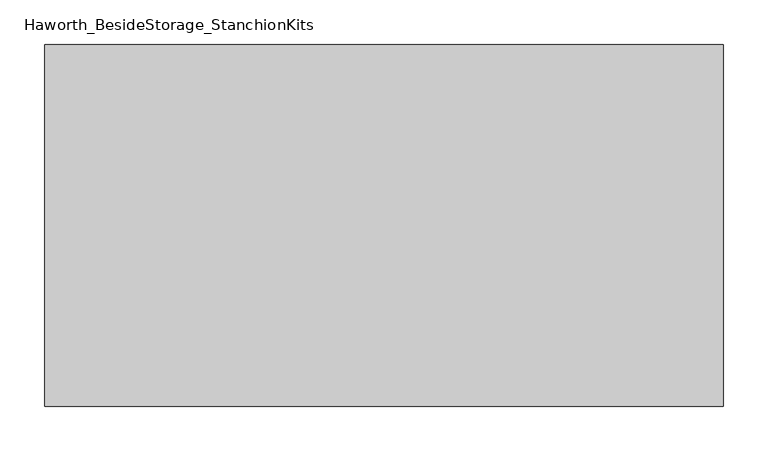
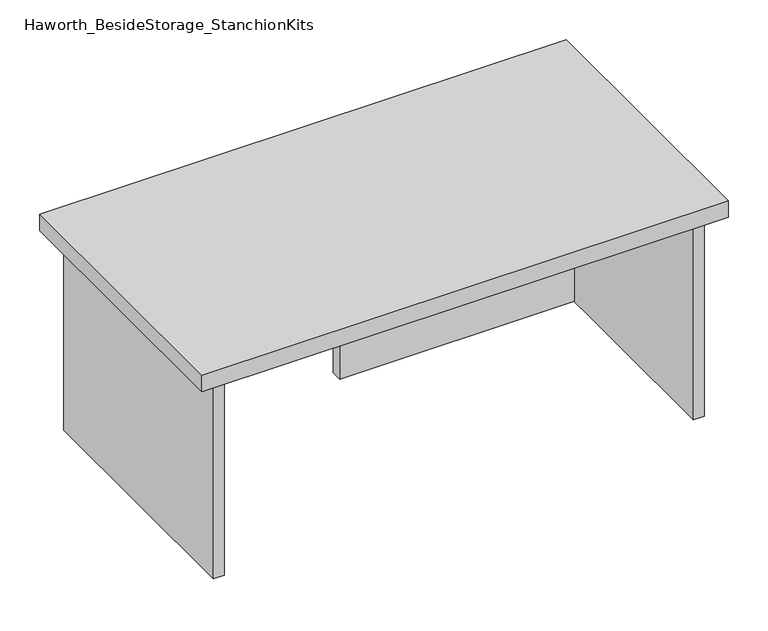
"""IFC4 building model written with IfcOpenShell, lengths in millimetres: furniture geometry, Haworth_BesideStorage_StanchionKits."""

import ifcopenshell
import ifcopenshell.guid

model = None  # the IFC model being written
_history = None  # IfcOwnerHistory: only IFC2X3 demands one
_inside = {}  # id of a spatial element -> (the spatial element, [elements in it])
_under = {}  # id of a project, library or spatial element -> (it, [spatial elements below it])
_declared = {}  # id of a project -> (the project, [libraries it declares])
_typed = {}  # id of a type object -> (the type object, [elements of that type])
_made_of = {}  # id of a material, layer set ... -> (it, [elements and type objects made of it])


def new_model(schema):
    """Start an empty IFC model of exactly this schema.

    Asked for "IFC4X3", IfcOpenShell would pick the latest addendum, in which some entities
    have other attributes; the version numbers below select the first issue.
    IFC2X3 requires an IfcOwnerHistory on every rooted entity: one is made here for all.
    """
    global model, _history
    if schema == "IFC4X3":
        model = ifcopenshell.file(schema_version=(4, 3, 0, 0))
    else:
        model = ifcopenshell.file(schema=schema)
    _inside.clear()
    _under.clear()
    _declared.clear()
    _typed.clear()
    _made_of.clear()
    _history = None
    if model.schema == "IFC2X3":
        org = make("IfcOrganization", Name="unknown")
        user = make(
            "IfcPersonAndOrganization",
            ThePerson=make("IfcPerson", FamilyName="unknown"),
            TheOrganization=org,
        )
        app = make(
            "IfcApplication",
            ApplicationDeveloper=org,
            Version="unknown",
            ApplicationFullName="unknown",
            ApplicationIdentifier="unknown",
        )
        _history = make(
            "IfcOwnerHistory",
            OwningUser=user,
            OwningApplication=app,
            ChangeAction="ADDED",
            CreationDate=0,
        )
    return model


def make(cls, **values):
    """One entity of the class cls with the attributes given. An attribute that is None is left unset."""
    return model.create_entity(
        cls, **{name: value for name, value in values.items() if value is not None}
    )


def rooted(cls, **values):
    """An entity with a GlobalId (a new one), such as an element, a storey or a relation."""
    return make(cls, GlobalId=ifcopenshell.guid.new(), OwnerHistory=_history, **values)


def si_unit(unit_type, name, prefix=None):
    """IfcSIUnit, for example si_unit("LENGTHUNIT", "METRE", prefix="MILLI")."""
    return make("IfcSIUnit", UnitType=unit_type, Prefix=prefix, Name=name)


def assignment(units):
    """IfcUnitAssignment: the units of a project."""
    return None if units is None else make("IfcUnitAssignment", Units=units)


def point(xyz):
    """IfcCartesianPoint."""
    return None if xyz is None else make("IfcCartesianPoint", Coordinates=xyz)


def direction(xyz):
    """IfcDirection."""
    return None if xyz is None else make("IfcDirection", DirectionRatios=xyz)


def frame(location, z_axis=None, x_axis=None):
    """IfcAxis2Placement3D, a coordinate frame: its origin and axes. An axis left out is left unset."""
    return make(
        "IfcAxis2Placement3D",
        Location=point(location),
        Axis=direction(z_axis),
        RefDirection=direction(x_axis),
    )


def origin():
    """The frame at (0, 0, 0) with its axes left unset."""
    return frame((0.0, 0.0, 0.0))


def place(relative_to, where):
    """IfcLocalPlacement: puts the frame where relative to a parent placement (None: the world)."""
    return make(
        "IfcLocalPlacement", PlacementRelTo=relative_to, RelativePlacement=where
    )


def context(
    kind, dimensions, precision=None, world=None, true_north=None, identifier=None
):
    """IfcGeometricRepresentationContext, for example the 3D "Model" context."""
    return make(
        "IfcGeometricRepresentationContext",
        ContextIdentifier=identifier,
        ContextType=kind,
        CoordinateSpaceDimension=dimensions,
        Precision=precision,
        WorldCoordinateSystem=world,
        TrueNorth=true_north,
    )


def project(units=None, contexts=None):
    """IfcProject with its units and contexts."""
    return rooted(
        "IfcProject",
        Name="project",
        RepresentationContexts=contexts,
        UnitsInContext=assignment(units),
    )


def spatial(cls, under=None, at=None, **own):
    """A site, building, storey or space (cls), placed at a placement, below another one or the project."""
    s = rooted(cls, ObjectPlacement=at, **own)
    if under is not None:
        _under.setdefault(under.id(), (under, []))[1].append(s)
    return s


def polyline(points):
    """IfcPolyline through the points."""
    return make("IfcPolyline", Points=[point(p) for p in points])


def outline(outer, holes=None, kind="AREA"):
    """IfcArbitraryClosedProfileDef: a profile drawn as a closed curve; with holes, ...WithVoids."""
    if holes is None:
        return make("IfcArbitraryClosedProfileDef", ProfileType=kind, OuterCurve=outer)
    return make(
        "IfcArbitraryProfileDefWithVoids",
        ProfileType=kind,
        OuterCurve=outer,
        InnerCurves=holes,
    )


def extrude(swept, where, along, depth):
    """IfcExtrudedAreaSolid: the profile swept, set in the frame where, extruded along a direction by depth."""
    return make(
        "IfcExtrudedAreaSolid",
        SweptArea=swept,
        Position=where,
        ExtrudedDirection=direction(along),
        Depth=depth,
    )


def shape(context_of_items, identifier, shape_type, items):
    """IfcShapeRepresentation: the items that make up one representation, for example the "Body"."""
    return make(
        "IfcShapeRepresentation",
        ContextOfItems=context_of_items,
        RepresentationIdentifier=identifier,
        RepresentationType=shape_type,
        Items=items,
    )


def source(mapping_origin, context_of_items, identifier, shape_type, items):
    """IfcRepresentationMap: a shape defined once, which mapped items show again and again."""
    return make(
        "IfcRepresentationMap",
        MappingOrigin=mapping_origin,
        MappedRepresentation=shape(context_of_items, identifier, shape_type, items),
    )


def transform(
    local_origin,
    x_axis=None,
    y_axis=None,
    z_axis=None,
    scale=None,
    scale2=None,
    scale3=None,
    uniform=True,
):
    """IfcCartesianTransformationOperator3D, or its non-uniform kind. x_axis, y_axis, z_axis: its Axis1, 2, 3."""
    if uniform:
        return make(
            "IfcCartesianTransformationOperator3D",
            Axis1=direction(x_axis),
            Axis2=direction(y_axis),
            LocalOrigin=point(local_origin),
            Scale=scale,
            Axis3=direction(z_axis),
        )
    return make(
        "IfcCartesianTransformationOperator3DnonUniform",
        Axis1=direction(x_axis),
        Axis2=direction(y_axis),
        LocalOrigin=point(local_origin),
        Scale=scale,
        Axis3=direction(z_axis),
        Scale2=scale2,
        Scale3=scale3,
    )


def mapped(mapping_source, mapping_target):
    """IfcMappedItem: shows the shape of a source again, moved by a transform."""
    return make(
        "IfcMappedItem", MappingSource=mapping_source, MappingTarget=mapping_target
    )


def made_of(thing, what):
    """Note that an element or type object is made of a material, layer set ...; save() writes the relation."""
    if what is not None:
        _made_of.setdefault(what.id(), (what, []))[1].append(thing)
    return thing


def element(
    cls,
    number,
    at=None,
    inside=None,
    cuts=None,
    type_object=None,
    material=None,
    context=None,
    identifier="Body",
    shape_type=None,
    held_by="IfcProductDefinitionShape",
    body=None,
    shapes=None,
    **own,
):
    """One element of the class cls, such as IfcWall. Its Tag is "e" and its number.

    at: its placement. inside: the storey or other place that contains it. cuts: it is an
    opening in that element (IfcRelVoidsElement). A single representation is given by context,
    identifier, shape_type and body (its items); several are given by shapes. held_by: the class
    of the entity that holds the representations. save() writes the other relations.
    """
    e = rooted(cls, Tag="e%d" % number, ObjectPlacement=at, **own)
    if body is not None:
        shapes = [shape(context, identifier, shape_type, body)]
    if shapes is not None:
        e.Representation = make(held_by, Representations=shapes)
    if inside is not None:
        _inside.setdefault(inside.id(), (inside, []))[1].append(e)
    if cuts is not None:
        rooted(
            "IfcRelVoidsElement", RelatingBuildingElement=cuts, RelatedOpeningElement=e
        )
    if type_object is not None:
        _typed.setdefault(type_object.id(), (type_object, []))[1].append(e)
    return made_of(e, material)


def aggregate(whole, parts):
    """IfcRelAggregates: a whole, such as a stair, and the parts it consists of."""
    return rooted("IfcRelAggregates", RelatingObject=whole, RelatedObjects=parts)


def save(model, path):
    """Write the relations noted so far, then the file.

    IfcRelAggregates (storeys below a building ...), IfcRelContainedInSpatialStructure (elements
    in a storey), IfcRelDefinesByType, IfcRelAssociatesMaterial and IfcRelDeclares: one each for
    every whole, place, type object, material and project.
    """
    for whole, parts in _under.values():
        aggregate(whole, parts)
    for where, things in _inside.values():
        rooted(
            "IfcRelContainedInSpatialStructure",
            RelatedElements=things,
            RelatingStructure=where,
        )
    for kind, things in _typed.values():
        rooted("IfcRelDefinesByType", RelatedObjects=things, RelatingType=kind)
    for what, things in _made_of.values():
        rooted("IfcRelAssociatesMaterial", RelatedObjects=things, RelatingMaterial=what)
    for by, libraries in _declared.values():
        rooted("IfcRelDeclares", RelatingContext=by, RelatedDefinitions=libraries)
    model.write(path)


def haworth_besidestorage_stanchionkits_2680d22b(model_context):
    return source(origin(), model_context, "Body", "SweptSolid", [
        extrude(outline(polyline([(542.925, 0.0), (542.925, -406.4), (-219.075, -406.4), (-219.075, 0.0), (542.925, 0.0)])), frame((0.0, 0.0, 736.6), z_axis=(0.0, 0.0, 1.0), x_axis=(1.0, 0.0, 0.0)), (0.0, 0.0, 1.0), 25.4),
        extrude(outline(polyline([(161.925, -76.2), (501.65, -76.2), (501.65, -92.075), (161.925, -92.075), (161.925, -76.2)])), frame((0.0, 0.0, 431.8), z_axis=(0.0, 0.0, 1.0), x_axis=(1.0, 0.0, 0.0)), (0.0, 0.0, 1.0), 304.8),
        extrude(outline(polyline([(517.525, -390.525), (501.65, -390.525), (501.65, -15.875), (517.525, -15.875), (517.525, -390.525)])), frame((0.0, 0.0, 431.8), z_axis=(0.0, 0.0, 1.0), x_axis=(1.0, 0.0, 0.0)), (0.0, 0.0, 1.0), 304.8),
        extrude(outline(polyline([(-177.8, -390.525), (-193.675, -390.525), (-193.675, -15.875), (-177.8, -15.875), (-177.8, -390.525)])), frame((0.0, 0.0, 431.8), z_axis=(0.0, 0.0, 1.0), x_axis=(1.0, 0.0, 0.0)), (0.0, 0.0, 1.0), 304.8),
    ])


if __name__ == "__main__":
    model = new_model("IFC4")
    model_context = context("Model", 3, world=origin())
    ifc_project = project(units=[si_unit("LENGTHUNIT", "METRE", prefix="MILLI")], contexts=[model_context])
    site = spatial("IfcSite", under=ifc_project)
    building = spatial("IfcBuilding", under=site)
    placement = place(None, origin())
    haworth_besidestorage_stanchionkits_shape = haworth_besidestorage_stanchionkits_2680d22b(model_context)
    element("IfcFurniture", 1, ObjectType="Haworth_BesideStorage_StanchionKits", at=placement, inside=building, context=model_context, shape_type="MappedRepresentation", body=[
        mapped(haworth_besidestorage_stanchionkits_shape, transform((0.0, 0.0, 0.0), x_axis=(1.0, 0.0, 0.0), y_axis=(0.0, 1.0, 0.0), z_axis=(0.0, 0.0, 1.0))),
    ])
    save(model, "model.ifc")
